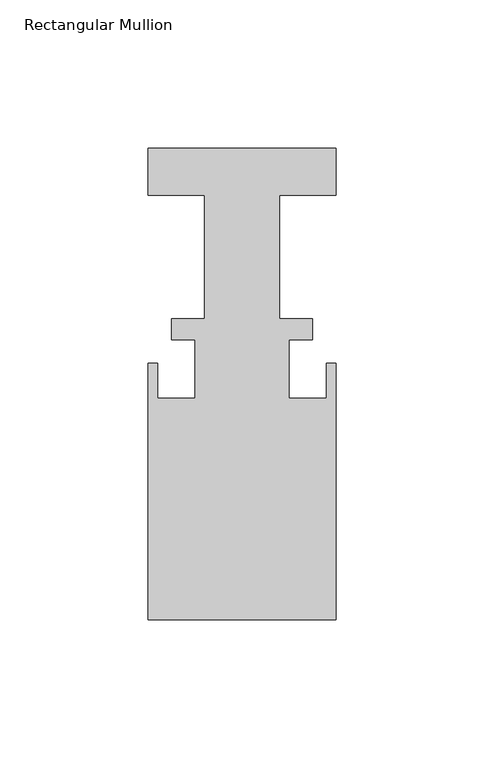
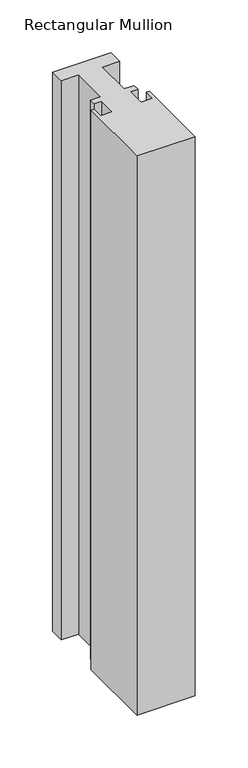
"""IFC4 building model written with IfcOpenShell, lengths in millimetres: member geometry, Rectangular Mullion."""

from ifc_helpers import new_model, si_unit, frame, origin, place, context, project, spatial, polyline, outline, extrude, source, transform, mapped, element, save


def rectangular_mullion_fb421967(model_context):
    return source(origin(), model_context, "Body", "SweptSolid", [
        extrude(outline(polyline([(-31.75, 50.6849063), (31.75, 50.6849063), (31.75, 34.8099063), (12.7, 34.8099063), (12.7, -6.8460938), (23.8252, -6.8460938), (23.8252, -14.0088937), (15.875, -14.0088937), (15.875, -33.8208937), (28.575, -33.8208937), (28.575, -21.9082938), (31.75, -21.9082938), (31.75, -108.4460938), (-31.75, -108.4460938), (-31.75, -21.9082938), (-28.575, -21.9082938), (-28.575, -33.8208937), (-15.875, -33.8208937), (-15.875, -14.0088938), (-23.8252, -14.0088938), (-23.8252, -6.8460938), (-12.7, -6.8460938), (-12.7, 34.8099063), (-31.75, 34.8099063), (-31.75, 50.6849063)])), frame((0.0, 0.0, -645.1853496), z_axis=(0.0, 0.0, 1.0), x_axis=(1.0, 0.0, 0.0)), (0.0, 0.0, 1.0), 645.1853496),
    ])


if __name__ == "__main__":
    model = new_model("IFC4")
    model_context = context("Model", 3, world=origin())
    ifc_project = project(units=[si_unit("LENGTHUNIT", "METRE", prefix="MILLI")], contexts=[model_context])
    site = spatial("IfcSite", under=ifc_project)
    building = spatial("IfcBuilding", under=site)
    placement = place(None, origin())
    rectangular_mullion_shape = rectangular_mullion_fb421967(model_context)
    element("IfcMember", 1, ObjectType="Rectangular Mullion", at=placement, inside=building, context=model_context, shape_type="MappedRepresentation", body=[
        mapped(rectangular_mullion_shape, transform((0.0, 0.0, 0.0), x_axis=(1.0, 0.0, 0.0), y_axis=(0.0, 1.0, 0.0), z_axis=(0.0, 0.0, 1.0))),
    ])
    save(model, "model.ifc")
